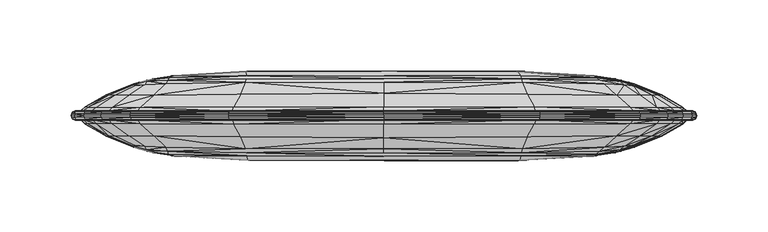
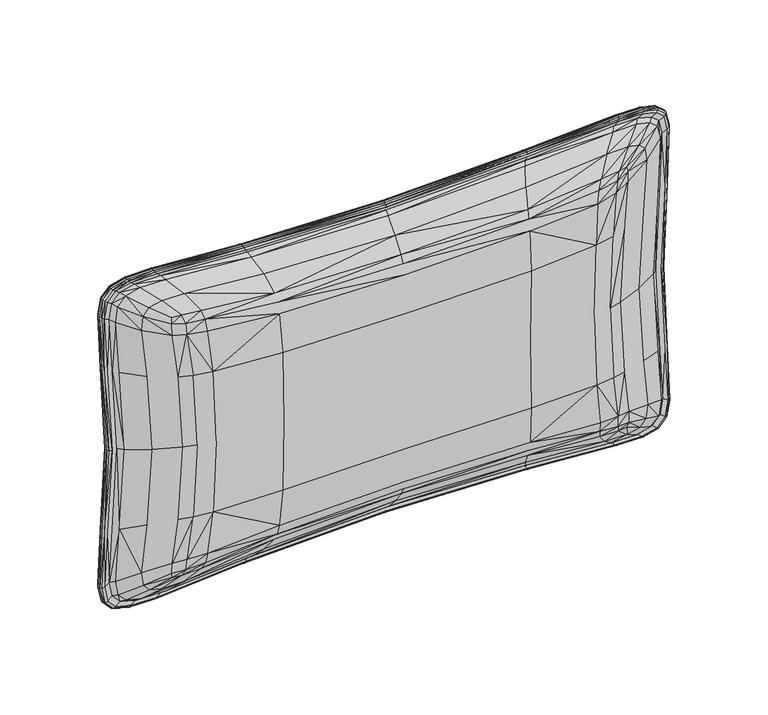
"""IFC4 building model written with IfcOpenShell, lengths in millimetres: furniture geometry."""

from ifc_helpers import new_model, si_unit, origin, place, context, project, spatial, triangles, source, transform, mapped, element, save


def furniture_e6ff6e48(model_context):
    return source(origin(), model_context, "Body", "Tessellation", [
        triangles([(-0.1820372, -32.4222443, 145.3870196), (94.5369803, -32.2340949, 145.3558351), (95.0695604, -32.0485525, 201.2624245), (-0.1878295, -32.234113, 200.5609593), (-95.5483466, -32.0485616, 201.313348), (-94.8791742, -32.2340949, 145.3558351), (-0.1878295, -32.2340722, 90.3998055), (-95.545349, -32.0485343, 89.5230876), (95.1270333, -32.0485275, 89.5291828), (171.3514595, -23.9788507, 203.7520436), (161.4035384, -26.8079998, 202.93209), (159.0480317, -26.9582541, 145.299089), (168.4271831, -24.142265, 145.2883065), (147.0656962, -29.0841145, 202.2766431), (145.3549994, -29.249709, 145.3135321), (147.4215521, -29.0840828, 88.2094686), (161.6633154, -26.8079703, 87.7987742), (171.4593381, -23.9787485, 87.2862147), (-171.785263, -23.9786122, 87.2105561), (-162.0140934, -26.8079908, 87.7371682), (-159.0837127, -26.9582768, 145.299416), (-168.3829089, -24.142617, 145.2887516), (-147.8025063, -29.0841077, 88.1660392), (-145.4916462, -29.2497249, 145.3136956), (-147.8174672, -29.0841145, 202.5226673), (-162.0277554, -26.808018, 202.892394), (-171.794274, -23.9791641, 203.370726), (-0.1991968, -24.1787295, 242.9809354), (-0.1975417, -26.9582768, 237.6434342), (96.2167379, -26.808018, 239.7915589), (97.074934, -23.9460947, 245.6138234), (-0.195168, -29.2497272, 229.8347538), (95.7191302, -29.0841191, 231.5068902), (-97.3497719, -23.9460084, 245.7150345), (-96.7865886, -26.8080339, 240.0232853), (-96.5188906, -29.0841123, 231.8182084), (-0.1991096, -24.1783525, 48.6731328), (-0.1975199, -26.9582382, 53.8865864), (-96.7717821, -26.8079726, 51.1649774), (-97.3385898, -23.945402, 45.5309826), (-0.1951462, -29.2497113, 61.5312324), (-96.5031848, -29.0840873, 59.2817558), (96.8448609, -23.9459198, 45.6080492), (96.2847206, -26.8079703, 51.2272374), (96.0274871, -29.084085, 59.3257257), (165.7379395, -24.9896288, 245.6650194), (175.0482542, -22.4924747, 248.4131438), (174.7587552, -21.5129379, 251.6322787), (168.4241309, -22.474087, 251.008952), (151.2424943, -25.7148026, 243.4698772), (154.418863, -23.0041509, 249.8972829), (149.0270682, -27.8520836, 234.3416008), (164.2295832, -25.7147958, 237.1127253), (174.8023571, -23.0371885, 240.3565135), (153.1597102, -23.0060857, 40.7703448), (151.7468059, -25.7147662, 46.6045181), (150.9459191, -27.8520427, 55.3190207), (166.3325616, -24.9895834, 45.4120628), (167.9348803, -22.474632, 39.6874122), (175.6978148, -22.4930561, 43.901222), (175.0041254, -21.5117434, 39.6373471), (175.492722, -23.0391937, 52.9873226), (165.6825468, -25.7147617, 54.2271224), (-166.5557493, -24.9896152, 45.1714752), (-175.8186469, -22.4937896, 43.8277254), (-175.0528506, -21.5138031, 39.7187466), (-168.0556214, -22.4755177, 39.6143334), (-152.0854207, -25.7147799, 46.2394514), (-153.4431776, -23.0063991, 40.3759239), (-151.3385186, -27.8520586, 55.0128212), (-166.0060372, -25.714798, 53.8600346), (-175.7576949, -23.0392982, 52.5891092), (-153.5501297, -23.0066716, 250.5151412), (-152.1971508, -25.714823, 244.6796871), (-151.4375315, -27.8521131, 235.8845299), (-166.7471439, -24.9896356, 245.8368476), (-168.3092942, -22.4753632, 251.5227287), (-176.0730281, -22.4936829, 247.2950798), (-175.3633876, -21.5130423, 251.5312493), (-175.8652102, -23.0396547, 238.1823003), (-166.1180762, -25.7148389, 236.9704011), (207.127855, -6.8238601, 81.4455737), (203.826821, -6.8771261, 145.2393815), (187.6132939, -16.150311, 145.2633898), (191.2328586, -15.8759318, 84.858147), (207.0522964, -6.823951, 209.5913856), (191.1598798, -15.8764462, 206.2315979), (209.1801643, -6.7238083, 253.6464908), (194.2842712, -15.2517001, 246.8979747), (206.9202732, -6.6915837, 264.3975969), (192.8244766, -15.0217371, 256.4573658), (201.1886463, -6.674194, 269.2275892), (188.1952715, -14.9020723, 260.4950917), (191.2619993, -6.6684894, 271.6038795), (179.7578686, -14.9106758, 262.3840025), (172.948128, -6.681008, 271.7168086), (163.3670268, -15.0519984, 262.2269082), (105.398563, -6.771171, 267.4752434), (100.5734123, -15.6769841, 257.6702278), (-0.2035528, -6.8925844, 264.4116586), (-0.202028, -16.3661238, 254.1586507), (-105.6072984, -6.7713663, 267.5307996), (-100.7729096, -15.6763698, 257.7269104), (-171.5089535, -6.6853256, 272.1267945), (-161.9391525, -15.0673795, 262.6218151), (-190.9403074, -6.6705032, 272.2354179), (-179.4015677, -14.9183697, 262.9945212), (-202.2515174, -6.6739136, 269.4007981), (-189.1750082, -14.9022892, 260.6664657), (-208.1983565, -6.6927709, 262.7097457), (-194.0136118, -15.0288372, 254.8392414), (-210.1247832, -6.7269076, 250.5622859), (-195.1588726, -15.2665236, 243.9373451), (-207.454452, -6.8242587, 209.0483228), (-191.5495907, -15.8782641, 205.7156047), (-203.6760853, -6.8774747, 145.2399628), (-187.486503, -16.1522163, 145.263953), (-207.4477482, -6.8235893, 81.3592781), (-191.5478648, -15.8750473, 84.7704344), (-210.0336369, -6.7264392, 39.9143378), (-195.0719048, -15.2645263, 46.6604649), (-207.9414318, -6.6929792, 28.1534778), (-193.762319, -15.0296365, 36.143179), (-201.8874227, -6.6745489, 21.7472418), (-188.8175809, -14.9049848, 30.5861282), (-190.6847816, -6.6707882, 18.7096013), (-179.1508018, -14.9194632, 28.0381391), (-171.418225, -6.6849509, 18.6188728), (-161.8514035, -15.0657319, 28.1756058), (-105.5946357, -6.7706464, 23.8877611), (-100.7646162, -15.6729646, 33.6178949), (-0.203531, -6.8919684, 27.5792282), (-0.2019844, -16.3640027, 37.6856698), (105.0615014, -6.771129, 23.9824637), (100.2480507, -15.6761757, 33.7120524), (171.1399172, -6.6843088, 19.1295509), (161.5933705, -15.0640151, 28.6572511), (190.6291527, -6.6693422, 18.8647642), (179.1091619, -14.9141151, 28.1678778), (201.9575674, -6.6728059, 21.5978823), (188.8965005, -14.8979755, 30.4186738), (207.8858756, -6.6919562, 28.3091119), (193.7197163, -15.0253479, 36.2742621), (209.7790195, -6.7263734, 40.432066), (194.8349643, -15.2640063, 47.1490752), (207.3524234, -3.5974018, 145.2339857), (210.422167, -3.5979661, 210.3961693), (210.4975076, -3.5979031, 80.6276095), (204.6783497, -3.5981304, 19.5995554), (210.8014498, -3.5990629, 26.4788934), (212.8545221, -3.5991771, 38.8580569), (173.2448032, -3.5927622, 16.9494617), (193.0899219, -3.5962603, 16.7602165), (106.1847704, -3.580831, 21.6350166), (-0.2040103, -3.573103, 25.0581248), (-106.7213383, -3.5808949, 21.5414177), (-204.6135462, -3.5981719, 19.7520511), (-193.1506921, -3.5963849, 16.605962), (-173.5278892, -3.5929269, 16.4375266), (-213.1138631, -3.5992455, 38.3397383), (-210.8621474, -3.5991121, 26.324665), (-210.8191086, -3.5979167, 80.544257), (-207.1996347, -3.5973172, 145.2346307), (-210.827284, -3.5979263, 209.846003), (-204.9805841, -3.5982715, 271.3749145), (-211.1217064, -3.599181, 264.5140869), (-213.2071169, -3.5992827, 252.1113374), (-173.6210339, -3.5929127, 274.2985733), (-193.4089067, -3.596427, 274.3218458), (-106.7358996, -3.5809352, 269.8952265), (-0.2040103, -3.5732853, 266.9680432), (106.5252293, -3.5809, 269.8405423), (203.9073393, -3.5981455, 271.2029773), (193.728037, -3.5962833, 273.6875095), (175.0639146, -3.592823, 273.8863891), (212.2504347, -3.5994095, 255.2195779), (209.830597, -3.599191, 266.2162178)], [[1, 2, 3], [3, 4, 1], [4, 5, 6], [6, 1, 4], [7, 1, 6], [6, 8, 7], [7, 9, 2], [2, 1, 7], [10, 11, 12], [12, 13, 10], [11, 14, 15], [15, 12, 11], [14, 3, 2], [2, 15, 14], [9, 16, 15], [15, 2, 9], [17, 12, 15], [15, 16, 17], [17, 18, 13], [13, 12, 17], [19, 20, 21], [21, 22, 19], [20, 23, 24], [24, 21, 20], [23, 8, 6], [6, 24, 23], [5, 25, 24], [24, 6, 5], [26, 21, 24], [24, 25, 26], [26, 27, 22], [22, 21, 26], [28, 29, 30], [30, 31, 28], [29, 32, 33], [33, 30, 29], [28, 34, 35], [35, 29, 28], [33, 32, 4], [4, 3, 33], [32, 29, 35], [35, 36, 32], [5, 4, 32], [32, 36, 5], [37, 38, 39], [39, 40, 37], [38, 41, 42], [42, 39, 38], [37, 43, 44], [44, 38, 37], [42, 41, 7], [7, 8, 42], [41, 38, 44], [44, 45, 41], [9, 7, 41], [41, 45, 9], [46, 47, 48], [48, 49, 46], [50, 46, 49], [49, 51, 50], [46, 50, 52], [52, 53, 46], [47, 46, 53], [53, 54, 47], [51, 31, 30], [30, 50, 51], [52, 50, 30], [30, 33, 52], [14, 52, 33], [33, 3, 14], [14, 11, 53], [53, 52, 14], [11, 10, 54], [54, 53, 11], [43, 55, 56], [56, 44, 43], [45, 44, 56], [56, 57, 45], [45, 57, 16], [16, 9, 45], [58, 56, 55], [55, 59, 58], [60, 58, 59], [59, 61, 60], [58, 60, 62], [62, 63, 58], [56, 58, 63], [63, 57, 56], [18, 17, 63], [63, 62, 18], [16, 57, 63], [63, 17, 16], [64, 65, 66], [66, 67, 64], [68, 64, 67], [67, 69, 68], [64, 68, 70], [70, 71, 64], [65, 64, 71], [71, 72, 65], [69, 40, 39], [39, 68, 69], [70, 68, 39], [39, 42, 70], [23, 70, 42], [42, 8, 23], [23, 20, 71], [71, 70, 23], [20, 19, 72], [72, 71, 20], [34, 73, 74], [74, 35, 34], [36, 35, 74], [74, 75, 36], [36, 75, 25], [25, 5, 36], [76, 74, 73], [73, 77, 76], [78, 76, 77], [77, 79, 78], [76, 78, 80], [80, 81, 76], [74, 76, 81], [81, 75, 74], [27, 26, 81], [81, 80, 27], [25, 75, 81], [81, 26, 25], [82, 83, 84], [84, 85, 82], [83, 86, 87], [87, 84, 83], [84, 87, 10], [10, 13, 84], [13, 18, 85], [85, 84, 13], [86, 88, 89], [89, 87, 86], [88, 90, 91], [91, 89, 88], [90, 92, 93], [93, 91, 90], [48, 47, 91], [91, 93, 48], [47, 54, 89], [89, 91, 47], [10, 87, 89], [89, 54, 10], [92, 94, 95], [95, 93, 92], [94, 96, 97], [97, 95, 94], [96, 98, 99], [99, 97, 96], [98, 100, 101], [101, 99, 98], [31, 99, 101], [101, 28, 31], [31, 51, 97], [97, 99, 31], [51, 49, 95], [95, 97, 51], [49, 48, 93], [93, 95, 49], [100, 102, 103], [103, 101, 100], [101, 103, 34], [34, 28, 101], [102, 104, 105], [105, 103, 102], [104, 106, 107], [107, 105, 104], [106, 108, 109], [109, 107, 106], [79, 77, 107], [107, 109, 79], [77, 73, 105], [105, 107, 77], [34, 103, 105], [105, 73, 34], [108, 110, 111], [111, 109, 108], [110, 112, 113], [113, 111, 110], [112, 114, 115], [115, 113, 112], [114, 116, 117], [117, 115, 114], [27, 115, 117], [117, 22, 27], [27, 80, 113], [113, 115, 27], [80, 78, 111], [111, 113, 80], [78, 79, 109], [109, 111, 78], [116, 118, 119], [119, 117, 116], [117, 119, 19], [19, 22, 117], [118, 120, 121], [121, 119, 118], [120, 122, 123], [123, 121, 120], [122, 124, 125], [125, 123, 122], [66, 65, 123], [123, 125, 66], [65, 72, 121], [121, 123, 65], [19, 119, 121], [121, 72, 19], [124, 126, 127], [127, 125, 124], [126, 128, 129], [129, 127, 126], [128, 130, 131], [131, 129, 128], [130, 132, 133], [133, 131, 130], [40, 131, 133], [133, 37, 40], [40, 69, 129], [129, 131, 40], [69, 67, 127], [127, 129, 69], [67, 66, 125], [125, 127, 67], [132, 134, 135], [135, 133, 132], [133, 135, 43], [43, 37, 133], [134, 136, 137], [137, 135, 134], [136, 138, 139], [139, 137, 136], [138, 140, 141], [141, 139, 138], [61, 59, 139], [139, 141, 61], [59, 55, 137], [137, 139, 59], [43, 135, 137], [137, 55, 43], [140, 142, 143], [143, 141, 140], [142, 144, 145], [145, 143, 142], [82, 85, 145], [145, 144, 82], [18, 62, 145], [145, 85, 18], [62, 60, 143], [143, 145, 62], [60, 61, 141], [141, 143, 60], [146, 147, 86], [86, 83, 146], [148, 146, 83], [83, 82, 148], [140, 149, 150], [150, 142, 140], [144, 142, 150], [150, 151, 144], [144, 151, 148], [148, 82, 144], [136, 152, 153], [153, 138, 136], [149, 140, 138], [138, 153, 149], [134, 154, 152], [152, 136, 134], [155, 154, 134], [134, 132, 155], [156, 155, 132], [132, 130, 156], [124, 157, 158], [158, 126, 124], [128, 126, 158], [158, 159, 128], [128, 159, 156], [156, 130, 128], [120, 160, 161], [161, 122, 120], [157, 124, 122], [122, 161, 157], [118, 162, 160], [160, 120, 118], [163, 162, 118], [118, 116, 163], [164, 163, 116], [116, 114, 164], [108, 165, 166], [166, 110, 108], [112, 110, 166], [166, 167, 112], [112, 167, 164], [164, 114, 112], [104, 168, 169], [169, 106, 104], [165, 108, 106], [106, 169, 165], [102, 170, 168], [168, 104, 102], [171, 170, 102], [102, 100, 171], [172, 171, 100], [100, 98, 172], [92, 173, 174], [174, 94, 92], [96, 94, 174], [174, 175, 96], [96, 175, 172], [172, 98, 96], [88, 176, 177], [177, 90, 88], [173, 92, 90], [90, 177, 173], [86, 147, 176], [176, 88, 86]], closed=False),
        triangles([(-0.205208, -2.1701541, 272.1214532), (-109.2623533, -2.1701656, 274.9365249), (-109.0178733, -3.339796, 274.1438225), (-0.2050991, -3.3397844, 271.2712871), (108.8058768, -3.339779, 274.091155), (109.0493394, -2.1701485, 274.8847293), (-109.3438981, -0.7606012, 275.2006439), (-0.2052761, -0.7605996, 272.4047572), (109.1305481, -0.7605939, 275.1491391), (-0.2052299, 0.6489574, 272.1214532), (109.0493394, 0.6489683, 274.8846203), (108.8058404, 1.8185958, 274.091155), (-0.2051211, 1.8185913, 271.2712326), (-109.0178733, 1.8185836, 274.1437862), (-109.2623714, 0.6489584, 274.9364885), (179.2454726, -3.339781, 278.0334652), (179.7576324, -2.1701453, 278.733368), (179.9284432, -0.7605881, 278.9667295), (198.4953514, -3.3397796, 277.7304314), (199.0994933, -2.170142, 278.3854241), (209.050303, -3.3397739, 275.07418), (209.7221552, -2.1701406, 275.6807563), (209.9461422, -0.7605834, 275.8830514), (199.3009163, -0.7605893, 278.6038156), (209.050303, 1.8185977, 275.07418), (198.495315, 1.8186001, 277.7304314), (199.0994933, 0.6489657, 278.3854241), (209.722137, 0.6489716, 275.6807563), (179.2453999, 1.8185998, 278.0334652), (179.7576869, 0.6489647, 278.733368), (-210.1426419, -3.3398023, 275.2448636), (-198.1740955, -3.3397969, 278.3669841), (-198.7801814, -2.170171, 279.019833), (-210.8165106, -2.1701546, 275.8495869), (-177.7809544, -3.3397912, 278.4410166), (-178.2947857, -2.170163, 279.1387211), (-178.466087, -0.7606058, 279.3712651), (-198.9822948, -0.7606024, 279.2376068), (-211.0411335, -0.7606068, 276.0512824), (-177.7809544, 1.8185868, 278.4410348), (-178.2947857, 0.6489515, 279.1386848), (-198.1740955, 1.8185787, 278.3668932), (-198.7801814, 0.6489387, 279.019833), (-210.1426419, 1.8185856, 275.2447364), (-210.8165106, 0.6489482, 275.849605), (-216.7752494, -3.3397875, 211.5232444), (-218.8408028, -3.3398014, 255.2354927), (-219.6311434, -2.1701613, 255.6992725), (-217.6931984, -2.1701634, 211.7432891), (-219.8946447, -0.7606043, 255.8539505), (-217.9992117, -0.760597, 211.8167403), (-216.5575301, -3.3397898, 268.0979343), (-217.2900254, -2.1701539, 268.6441219), (-217.5341965, -0.7606155, 268.8262147), (-216.5575301, 1.8185801, 268.0979706), (-217.2900254, 0.648949, 268.6441582), (-218.8408028, 1.8185814, 255.235529), (-219.6311434, 0.648953, 255.6992543), (-216.7752494, 1.818589, 211.5232807), (-217.6931984, 0.6489554, 211.7433254), (-214.9476175, -4.1090944, 266.9651546), (-208.6382824, -4.1090484, 274.0047867), (-217.1373276, -4.1089402, 254.2620237), (-214.8835771, -4.108274, 211.0331944), (-108.4140947, -4.105921, 272.6401897), (-0.2047724, -4.1043493, 269.6961834), (-176.6021201, -4.1081034, 277.0579797), (-196.8035578, -4.1087339, 277.047715), (108.2034699, -4.105921, 272.5862504), (197.1266304, -4.108714, 276.4091276), (207.5510123, -4.1089902, 273.8319593), (178.0652394, -4.1081216, 276.6470673), (108.2034335, 2.584735, 272.5862323), (-0.2047728, 2.5831448, 269.6961834), (178.0652394, 2.5869441, 276.6471218), (197.1266304, 2.5875476, 276.4090912), (207.5509214, 2.5878224, 273.8319411), (-108.4140947, 2.5847177, 272.6401352), (-196.8035578, 2.5875257, 277.0476605), (-208.6382461, 2.5878255, 274.0047867), (-176.6021201, 2.586891, 277.0578888), (-217.1373276, 2.5877349, 254.2620056), (-214.8835771, 2.5870662, 211.0332489), (-214.9476175, 2.5878834, 266.9651001), (-213.2071169, -3.5992827, 252.1113374), (-210.827284, -3.5979263, 209.846003), (-211.1217064, -3.599181, 264.5140869), (-204.9805841, -3.5982715, 271.3749145), (-173.6210339, -3.5929127, 274.2985733), (-106.7358996, -3.5809352, 269.8952265), (-0.2040103, -3.5732853, 266.9680432), (-193.4089067, -3.596427, 274.3218458), (106.5252293, -3.5809, 269.8405423), (175.0639146, -3.592823, 273.8863891), (193.728037, -3.5962833, 273.6875095), (203.9073393, -3.5981455, 271.2029773), (209.830597, -3.599191, 266.2162178), (213.6435546, -4.1090805, 268.6932468), (215.2493978, -3.339773, 269.8338022), (215.9803669, -2.1701394, 270.3825877), (216.2242474, -0.7605872, 270.5656071), (215.2493614, 1.8186025, 269.8338022), (215.9804396, 0.6489678, 270.3825877), (213.6435001, 2.5879109, 268.6932468), (209.830597, 2.400046, 266.2161633), (203.9073938, 2.3989982, 271.2030137), (175.0638419, 2.3936689, 273.8863891), (106.525202, 2.3817334, 269.8405423), (-0.2040106, 2.374114, 266.9680796), (193.728037, 2.3971278, 273.6874732), (-106.7358814, 2.3817505, 269.895281), (-173.6210339, 2.3937223, 274.2985733), (-193.4089431, 2.3972266, 274.3218277), (-204.9805841, 2.3990715, 271.3750598), (-211.1217246, 2.3999872, 264.5141414), (-214.3023807, -2.1701336, 145.2228309), (-217.6835878, -2.1701325, 78.6086557), (-216.7661111, -3.3397543, 78.8335238), (-213.3073833, -3.3397813, 145.2242389), (-217.9893831, -0.7605868, 78.5335694), (-214.6340102, -0.7605953, 145.2223949), (-214.3023807, 0.6489715, 145.2228309), (-213.307347, 1.8185907, 145.2243025), (-216.7657841, 1.8186125, 78.8332786), (-217.6834607, 0.6489823, 78.6084922), (-0.2052733, -2.1701179, 19.977764), (108.6991246, -2.1701064, 16.6289643), (108.4566793, -3.3397307, 17.4155556), (-0.2051644, -3.3397322, 20.8163643), (-108.999942, -3.3397427, 17.3225982), (-109.2433047, -2.1701162, 16.5365985), (108.7800244, -0.760547, 16.3668437), (-0.2052952, -0.7605557, 19.6983116), (-109.3243953, -0.7605588, 16.2745755), (-0.2052517, 0.6490039, 19.977764), (-109.2431139, 0.6489933, 16.5364429), (-108.9996513, 1.8186367, 17.3223427), (-0.2051211, 1.8186345, 20.8163643), (108.4570064, 1.818639, 17.4158088), (108.6993426, 0.6490009, 16.6291097), (197.8449187, -3.3397319, 12.6763701), (177.3940413, -3.3397376, 12.7874587), (177.9051111, -2.1701017, 12.0867497), (198.4480977, -2.1701081, 12.0169866), (178.0757039, -0.7605474, 11.8532123), (198.6493936, -0.7605462, 11.7971962), (177.3945499, 1.8186435, 12.7879186), (177.9054563, 0.64901, 12.0870279), (197.845391, 1.8186447, 12.6768663), (198.4484429, 0.6490111, 12.0172772), (-177.6835766, -3.3397526, 12.2724465), (-178.196227, -2.1701264, 11.5731183), (-178.3670378, -0.760569, 11.3398363), (-197.9080507, -3.3397421, 12.5267063), (-198.5129557, -2.1701157, 11.8691395), (-209.7653393, -3.3397688, 15.8438128), (-210.4379909, -2.1701216, 15.2327786), (-210.6620687, -0.7605784, 15.0288553), (-198.7144877, -0.7605728, 11.649725), (-209.7647398, 1.8186076, 15.8432905), (-197.9074694, 1.8186225, 12.5261976), (-198.5125741, 0.6489845, 11.8688374), (-210.4376093, 0.648993, 15.2324641), (-177.6830316, 1.8186238, 12.271998), (-178.1959, 0.6489883, 11.5728515), (-216.2903953, -3.3397517, 22.694847), (-217.0218005, -2.1701231, 22.1415491), (-218.7441154, -3.3397517, 35.1660471), (-219.5335839, -2.1701136, 34.6952296), (-219.7966856, -0.7605657, 34.5380558), (-217.2655538, -0.7605731, 21.956897), (-218.7435885, 1.8186177, 35.1655634), (-219.5332751, 0.6489845, 34.694914), (-216.2897957, 1.8186194, 22.694327), (-217.0214735, 0.6489865, 22.1412357), (107.856716, -4.1058748, 18.9082935), (-0.2047506, -4.1042882, 22.3695648), (176.2198942, -4.1080293, 14.1770166), (106.1847704, -3.580831, 21.6350166), (-0.2040103, -3.573103, 25.0581248), (196.4791045, -4.1086717, 14.0086778), (-108.3978621, -4.1058921, 18.8144516), (-106.7213383, -3.5808949, 21.5414177), (-196.5399293, -4.1086907, 13.8561185), (-208.2637413, -4.1089953, 17.096389), (-176.5065409, -4.1080628, 13.6607214), (-173.5278892, -3.5929269, 16.4375266), (-193.1506921, -3.5963849, 16.605962), (-204.6135462, -3.5981719, 19.7520511), (-214.8749112, -4.1082638, 79.3337931), (-211.306379, -4.1078567, 145.2274454), (-217.0419482, -4.1089045, 36.1546722), (-213.1138631, -3.5992455, 38.3397383), (-210.8191086, -3.5979167, 80.544257), (-207.1996347, -3.5973172, 145.2346307), (-214.6826446, -4.1090524, 23.8422584), (-210.8621474, -3.5991121, 26.324665), (-211.3063608, 2.5866642, 145.2274182), (-213.2071169, 2.40009, 252.1113374), (-210.827284, 2.3987479, 209.846003), (-207.1996347, 2.3981574, 145.2345671), (-214.8746023, 2.5870945, 79.3335115), (-210.8188361, 2.3987714, 80.5440208), (-214.6820269, 2.5879129, 23.841702), (-208.2631054, 2.5878522, 17.0958326), (-217.0413669, 2.5877628, 36.1541613), (-213.1133908, 2.4001113, 38.3392886), (-210.8616205, 2.3999864, 26.3241676), (-204.6130194, 2.3990419, 19.7515424), (-108.3975351, 2.5847583, 18.8141746), (-0.2048163, 2.5831704, 22.3695648), (-176.5059596, 2.5869387, 13.6602615), (-173.5273623, 2.3938094, 16.4371019), (-106.7210658, 2.3817868, 21.5411997), (-0.2039453, 2.3740034, 25.0581112), (-196.5392571, 2.5875544, 13.855586), (-193.1501289, 2.3972576, 16.6054783), (107.857043, 2.5847663, 18.9085604), (106.1850429, 2.3817539, 21.6352483), (176.2205482, 2.5869461, 14.1775026), (196.4797222, 2.5875785, 14.0092228), (214.4622183, -2.1701216, 145.2222041), (217.2844116, -2.1701322, 212.3134396), (216.3671348, -3.3397676, 212.0906516), (213.4672936, -3.3397526, 145.2236666), (216.4416033, -3.3397412, 78.9102633), (217.3584442, -2.1701153, 78.682988), (217.5900797, -0.7605777, 212.3877083), (214.793866, -0.7605692, 145.221759), (217.6640396, -0.7605508, 78.6072114), (214.462182, 0.6489931, 145.2222314), (217.3585713, 0.6489994, 78.6831151), (216.441785, 1.8186343, 78.9105086), (213.4672573, 1.8186213, 145.2236666), (216.3672074, 1.8186086, 212.0906516), (217.2843753, 0.6489774, 212.3134033), (217.87689, -3.3397776, 258.4036859), (218.6662677, -2.1701399, 258.8708086), (218.9295147, -0.7605802, 259.026613), (217.8768355, 1.8186011, 258.4036677), (218.6663767, 0.6489698, 258.8708449), (209.830706, -3.3397316, 15.6800261), (210.5018496, -2.1701006, 15.0667891), (210.7257458, -0.760541, 14.8623684), (209.83136, 1.8186332, 15.6805472), (210.5021948, 0.6490141, 15.0671036), (218.4790153, -3.3397344, 35.6850448), (219.2670668, -2.1701081, 35.2120585), (219.5298051, -0.7605462, 35.0543783), (216.2273177, -3.3397276, 22.8430325), (216.9571787, -2.1701013, 22.2875204), (217.2007866, -0.7605512, 22.1023346), (216.2279717, 1.8186434, 22.8435412), (216.9576147, 0.6490061, 22.2878111), (218.4795422, 1.8186442, 35.6855285), (219.2672848, 0.6490085, 35.212322), (211.4653264, -4.1078516, 145.2267642), (214.5518023, -4.1082326, 79.414266), (214.4767523, -4.108259, 211.5950968), (210.4975076, -3.5979031, 80.6276095), (207.3524234, -3.5974018, 145.2339857), (210.422167, -3.5979661, 210.3961693), (214.6217834, -4.1090282, 23.994041), (208.3309974, -4.1089786, 16.9369261), (216.7795187, -4.1088761, 36.6761861), (212.8545221, -3.5991771, 38.8580569), (210.8014498, -3.5990629, 26.4788934), (204.6783497, -3.5981304, 19.5995554), (173.2448032, -3.5927622, 16.9494617), (193.0899219, -3.5962603, 16.7602165), (216.1753042, -4.1089655, 257.4175542), (212.2504347, -3.5994095, 255.2195779), (211.4654717, 2.5867178, 145.2268187), (214.4767523, 2.5870971, 211.595115), (214.5520203, 2.5871164, 79.4145476), (210.4220761, 2.3988273, 210.3961693), (207.3525506, 2.3982937, 145.2340221), (210.4977074, 2.3988114, 80.6278456), (216.1753042, 2.5877985, 257.4175542), (212.2504529, 2.4002634, 255.2195779), (208.3316151, 2.5878865, 16.9374961), (173.2452393, 2.3936876, 16.9498863), (193.0905396, 2.3971897, 16.7606775), (204.6790219, 2.3990601, 19.6000391), (216.7802273, 2.5877826, 36.6767198), (212.8549582, 2.4001016, 38.8584793), (214.6225828, 2.5879368, 23.9945996), (210.8019221, 2.3999841, 26.4793544)], [[1, 2, 3], [3, 4, 1], [4, 5, 6], [6, 1, 4], [7, 2, 1], [1, 8, 7], [9, 8, 1], [1, 6, 9], [10, 11, 12], [12, 13, 10], [13, 14, 15], [15, 10, 13], [9, 11, 10], [10, 8, 9], [7, 8, 10], [10, 15, 7], [5, 16, 17], [17, 6, 5], [6, 17, 18], [18, 9, 6], [16, 19, 20], [20, 17, 16], [19, 21, 22], [22, 20, 19], [23, 24, 20], [20, 22, 23], [18, 17, 20], [20, 24, 18], [25, 26, 27], [27, 28, 25], [26, 29, 30], [30, 27, 26], [12, 11, 30], [30, 29, 12], [18, 30, 11], [11, 9, 18], [18, 24, 27], [27, 30, 18], [24, 23, 28], [28, 27, 24], [31, 32, 33], [33, 34, 31], [32, 35, 36], [36, 33, 32], [3, 2, 36], [36, 35, 3], [37, 36, 2], [2, 7, 37], [37, 38, 33], [33, 36, 37], [38, 39, 34], [34, 33, 38], [14, 40, 41], [41, 15, 14], [15, 41, 37], [37, 7, 15], [40, 42, 43], [43, 41, 40], [42, 44, 45], [45, 43, 42], [39, 38, 43], [43, 45, 39], [37, 41, 43], [43, 38, 37], [46, 47, 48], [48, 49, 46], [49, 48, 50], [50, 51, 49], [47, 52, 53], [53, 48, 47], [52, 31, 34], [34, 53, 52], [39, 54, 53], [53, 34, 39], [50, 48, 53], [53, 54, 50], [44, 55, 56], [56, 45, 44], [55, 57, 58], [58, 56, 55], [59, 60, 58], [58, 57, 59], [50, 58, 60], [60, 51, 50], [50, 54, 56], [56, 58, 50], [54, 39, 45], [45, 56, 54], [31, 52, 61], [61, 62, 31], [52, 47, 63], [63, 61, 52], [46, 64, 63], [63, 47, 46], [3, 65, 66], [66, 4, 3], [3, 35, 67], [67, 65, 3], [35, 32, 68], [68, 67, 35], [32, 31, 62], [62, 68, 32], [66, 69, 5], [5, 4, 66], [21, 19, 70], [70, 71, 21], [19, 16, 72], [72, 70, 19], [5, 69, 72], [72, 16, 5], [12, 73, 74], [74, 13, 12], [12, 29, 75], [75, 73, 12], [29, 26, 76], [76, 75, 29], [26, 25, 77], [77, 76, 26], [74, 78, 14], [14, 13, 74], [44, 42, 79], [79, 80, 44], [42, 40, 81], [81, 79, 42], [14, 78, 81], [81, 40, 14], [59, 57, 82], [82, 83, 59], [57, 55, 84], [84, 82, 57], [55, 44, 80], [80, 84, 55], [85, 63, 64], [64, 86, 85], [85, 87, 61], [61, 63, 85], [87, 88, 62], [62, 61, 87], [65, 67, 89], [89, 90, 65], [90, 91, 66], [66, 65, 90], [88, 92, 68], [68, 62, 88], [89, 67, 68], [68, 92, 89], [93, 69, 66], [66, 91, 93], [94, 72, 69], [69, 93, 94], [94, 95, 70], [70, 72, 94], [95, 96, 71], [71, 70, 95], [96, 97, 98], [98, 71, 96], [21, 99, 100], [100, 22, 21], [101, 23, 22], [22, 100, 101], [102, 25, 28], [28, 103, 102], [23, 101, 103], [103, 28, 23], [99, 21, 71], [71, 98, 99], [25, 102, 104], [104, 77, 25], [105, 106, 77], [77, 104, 105], [73, 75, 107], [107, 108, 73], [108, 109, 74], [74, 73, 108], [106, 110, 76], [76, 77, 106], [107, 75, 76], [76, 110, 107], [111, 78, 74], [74, 109, 111], [112, 81, 78], [78, 111, 112], [112, 113, 79], [79, 81, 112], [113, 114, 80], [80, 79, 113], [114, 115, 84], [84, 80, 114], [116, 117, 118], [118, 119, 116], [119, 46, 49], [49, 116, 119], [120, 117, 116], [116, 121, 120], [51, 121, 116], [116, 49, 51], [122, 60, 59], [59, 123, 122], [123, 124, 125], [125, 122, 123], [51, 60, 122], [122, 121, 51], [120, 121, 122], [122, 125, 120], [126, 127, 128], [128, 129, 126], [129, 130, 131], [131, 126, 129], [132, 127, 126], [126, 133, 132], [134, 133, 126], [126, 131, 134], [135, 136, 137], [137, 138, 135], [138, 139, 140], [140, 135, 138], [134, 136, 135], [135, 133, 134], [132, 133, 135], [135, 140, 132], [141, 142, 143], [143, 144, 141], [128, 127, 143], [143, 142, 128], [145, 143, 127], [127, 132, 145], [145, 146, 144], [144, 143, 145], [139, 147, 148], [148, 140, 139], [140, 148, 145], [145, 132, 140], [147, 149, 150], [150, 148, 147], [145, 148, 150], [150, 146, 145], [130, 151, 152], [152, 131, 130], [131, 152, 153], [153, 134, 131], [151, 154, 155], [155, 152, 151], [154, 156, 157], [157, 155, 154], [158, 159, 155], [155, 157, 158], [153, 152, 155], [155, 159, 153], [160, 161, 162], [162, 163, 160], [161, 164, 165], [165, 162, 161], [137, 136, 165], [165, 164, 137], [153, 165, 136], [136, 134, 153], [153, 159, 162], [162, 165, 153], [159, 158, 163], [163, 162, 159], [156, 166, 167], [167, 157, 156], [166, 168, 169], [169, 167, 166], [118, 117, 169], [169, 168, 118], [170, 169, 117], [117, 120, 170], [170, 171, 167], [167, 169, 170], [171, 158, 157], [157, 167, 171], [124, 172, 173], [173, 125, 124], [125, 173, 170], [170, 120, 125], [172, 174, 175], [175, 173, 172], [174, 160, 163], [163, 175, 174], [158, 171, 175], [175, 163, 158], [170, 173, 175], [175, 171, 170], [128, 176, 177], [177, 129, 128], [128, 142, 178], [178, 176, 128], [179, 180, 177], [177, 176, 179], [142, 141, 181], [181, 178, 142], [177, 182, 130], [130, 129, 177], [183, 182, 177], [177, 180, 183], [156, 154, 184], [184, 185, 156], [154, 151, 186], [186, 184, 154], [130, 182, 186], [186, 151, 130], [187, 186, 182], [182, 183, 187], [187, 188, 184], [184, 186, 187], [188, 189, 185], [185, 184, 188], [118, 190, 191], [191, 119, 118], [118, 168, 192], [192, 190, 118], [190, 192, 193], [193, 194, 190], [194, 195, 191], [191, 190, 194], [168, 166, 196], [196, 192, 168], [166, 156, 185], [185, 196, 166], [189, 197, 196], [196, 185, 189], [193, 192, 196], [196, 197, 193], [191, 64, 46], [46, 119, 191], [86, 64, 191], [191, 195, 86], [59, 83, 198], [198, 123, 59], [83, 82, 199], [199, 200, 83], [200, 201, 198], [198, 83, 200], [199, 82, 84], [84, 115, 199], [198, 202, 124], [124, 123, 198], [203, 202, 198], [198, 201, 203], [160, 174, 204], [204, 205, 160], [174, 172, 206], [206, 204, 174], [124, 202, 206], [206, 172, 124], [207, 206, 202], [202, 203, 207], [207, 208, 204], [204, 206, 207], [208, 209, 205], [205, 204, 208], [137, 210, 211], [211, 138, 137], [137, 164, 212], [212, 210, 137], [210, 212, 213], [213, 214, 210], [214, 215, 211], [211, 210, 214], [164, 161, 216], [216, 212, 164], [161, 160, 205], [205, 216, 161], [209, 217, 216], [216, 205, 209], [213, 212, 216], [216, 217, 213], [211, 218, 139], [139, 138, 211], [219, 218, 211], [211, 215, 219], [149, 147, 220], [220, 221, 149], [139, 218, 220], [220, 147, 139], [222, 223, 224], [224, 225, 222], [225, 226, 227], [227, 222, 225], [228, 223, 222], [222, 229, 228], [230, 229, 222], [222, 227, 230], [231, 232, 233], [233, 234, 231], [234, 235, 236], [236, 231, 234], [230, 232, 231], [231, 229, 230], [228, 229, 231], [231, 236, 228], [99, 237, 238], [238, 100, 99], [224, 223, 238], [238, 237, 224], [239, 238, 223], [223, 228, 239], [239, 101, 100], [100, 238, 239], [235, 240, 241], [241, 236, 235], [236, 241, 239], [239, 228, 236], [240, 102, 103], [103, 241, 240], [239, 241, 103], [103, 101, 239], [242, 141, 144], [144, 243, 242], [146, 244, 243], [243, 144, 146], [149, 245, 246], [246, 150, 149], [244, 146, 150], [150, 246, 244], [226, 247, 248], [248, 227, 226], [227, 248, 249], [249, 230, 227], [247, 250, 251], [251, 248, 247], [250, 242, 243], [243, 251, 250], [244, 252, 251], [251, 243, 244], [249, 248, 251], [251, 252, 249], [245, 253, 254], [254, 246, 245], [253, 255, 256], [256, 254, 253], [233, 232, 256], [256, 255, 233], [249, 256, 232], [232, 230, 249], [249, 252, 254], [254, 256, 249], [252, 244, 246], [246, 254, 252], [257, 258, 226], [226, 225, 257], [225, 224, 259], [259, 257, 225], [260, 258, 257], [257, 261, 260], [262, 261, 257], [257, 259, 262], [242, 250, 263], [263, 264, 242], [250, 247, 265], [265, 263, 250], [226, 258, 265], [265, 247, 226], [266, 265, 258], [258, 260, 266], [266, 267, 263], [263, 265, 266], [267, 268, 264], [264, 263, 267], [176, 178, 269], [269, 179, 176], [141, 242, 264], [264, 181, 141], [268, 270, 181], [181, 264, 268], [269, 178, 181], [181, 270, 269], [224, 237, 271], [271, 259, 224], [259, 271, 272], [272, 262, 259], [237, 99, 98], [98, 271, 237], [272, 271, 98], [98, 97, 272], [273, 274, 235], [235, 234, 273], [234, 233, 275], [275, 273, 234], [276, 274, 273], [273, 277, 276], [278, 277, 273], [273, 275, 278], [102, 240, 279], [279, 104, 102], [235, 274, 279], [279, 240, 235], [280, 279, 274], [274, 276, 280], [280, 105, 104], [104, 279, 280], [245, 149, 221], [221, 281, 245], [282, 220, 218], [218, 219, 282], [282, 283, 221], [221, 220, 282], [283, 284, 281], [281, 221, 283], [233, 255, 285], [285, 275, 233], [275, 285, 286], [286, 278, 275], [255, 253, 287], [287, 285, 255], [253, 245, 281], [281, 287, 253], [284, 288, 287], [287, 281, 284], [286, 285, 287], [287, 288, 286]], closed=False),
        triangles([(-96.3287859, 30.1647694, 145.354954), (-1.6337281, 30.3529279, 145.3870196), (-1.6414364, 30.1647853, 90.3997237), (-96.9972044, 29.9792384, 89.5104793), (-97.0002475, 29.9792134, 201.3231947), (-1.6414584, 30.1647649, 200.5610683), (93.0872686, 30.164783, 145.3566981), (93.6176142, 29.9792293, 201.252723), (93.6750144, 29.9792498, 89.5416184), (147.4214612, 26.9955633, 88.2094595), (145.354954, 27.1611691, 145.3135503), (147.0656962, 26.9955474, 202.2766249), (168.4270922, 22.621121, 145.2882884), (159.0480317, 25.1685855, 145.2991344), (161.4034475, 25.0183198, 202.9321082), (171.3514595, 22.457684, 203.7520436), (171.4593926, 22.4576249, 87.2862601), (161.6633154, 25.0183357, 87.7987651), (-147.817449, 26.9955315, 202.5226855), (-145.4916462, 27.1611578, 145.3137229), (-147.8024881, 26.9955497, 88.1660665), (-168.3828907, 22.6214117, 145.2887789), (-159.0836763, 25.168565, 145.2994341), (-162.0141116, 25.0183153, 87.7371773), (-171.785263, 22.4574592, 87.210547), (-171.794274, 22.4579701, 203.370726), (-162.0277554, 25.0182971, 202.8924304), (-96.5189269, 26.9955202, 231.8182265), (-0.1951276, 27.1611442, 229.8348083), (-96.7865886, 25.0182949, 240.023249), (-0.1975228, 25.1685582, 237.6435432), (-97.3497719, 22.4247917, 245.7150345), (-0.1991994, 22.6575423, 242.9809718), (96.2167197, 25.0183017, 239.7915589), (97.0748977, 22.4249166, 245.6138234), (95.7190575, 26.9955361, 231.5068902), (96.0274507, 26.9955747, 59.325712), (-0.1951276, 27.1611805, 61.5312415), (96.2847206, 25.0183403, 51.2272556), (-0.1974792, 25.1685991, 53.8865727), (96.8448972, 22.4248258, 45.60809), (-0.1991558, 22.6572426, 48.6731237), (-96.7717549, 25.0183312, 51.1650047), (-97.3385807, 22.4242762, 45.5309781), (-96.5032211, 26.9955588, 59.2817376), (149.0271136, 25.7634983, 234.3416553), (154.4189901, 21.4829751, 249.8972829), (151.2425852, 23.9251044, 243.4699499), (165.7379395, 23.1999306, 245.6650376), (168.4241673, 20.9529157, 251.0088974), (174.7587552, 19.9917689, 251.6322969), (175.0482542, 20.9713058, 248.4131802), (164.2295832, 23.9251044, 237.1127435), (174.8023208, 21.5160241, 240.3565135), (175.4926857, 21.5180974, 52.9873589), (165.6826376, 23.9251339, 54.2271452), (150.9459645, 25.7635414, 55.3190298), (166.3325071, 23.1999624, 45.4120764), (175.6978512, 20.9719621, 43.9012402), (167.9348439, 20.9535334, 39.6874304), (175.0041254, 19.9906448, 39.6373925), (153.1597465, 21.4849963, 40.7703675), (151.7468059, 23.9251339, 46.6045318), (-151.3385186, 25.7635233, 55.0128076), (-153.4431958, 21.4852415, 40.3759012), (-152.0853935, 23.9251158, 46.2394741), (-166.5557312, 23.1999443, 45.1714661), (-168.0555669, 20.9543759, 39.6143334), (-175.0528142, 19.9926569, 39.7187102), (-175.8186105, 20.972632, 43.827739), (-166.0060372, 23.9251158, 53.8600664), (-175.7576767, 21.5181542, 52.5890911), (-175.8652102, 21.5184494, 238.1823003), (-166.118058, 23.9250817, 236.9704011), (-151.4375315, 25.7634824, 235.8845299), (-166.7471257, 23.1999102, 245.8368476), (-176.0730281, 20.9724708, 247.2950253), (-168.309276, 20.9541557, 251.5227832), (-175.3633876, 19.9918234, 251.5312129), (-153.550166, 21.4854709, 250.5150686), (-152.1971508, 23.9250817, 244.6797416), (207.0523509, 5.3027939, 209.5914219), (203.826821, 5.3559861, 145.2393996), (187.6132939, 14.6291761, 145.2634443), (191.1598798, 14.3552772, 206.2315979), (207.128073, 5.3027536, 81.4457645), (191.2328586, 14.3548367, 84.8582379), (209.7794736, 5.2052839, 40.4324067), (194.8350733, 13.7429361, 47.1492296), (207.8862207, 5.1708667, 28.3095002), (193.7199343, 13.5042822, 36.2744437), (201.9582032, 5.1517301, 21.5982706), (188.8967003, 13.3769054, 30.4188441), (190.6296796, 5.1482731, 18.8651514), (179.1092527, 13.3930563, 28.1680595), (171.1404259, 5.1632329, 19.1298757), (161.5934977, 13.5429449, 28.6574055), (105.0617921, 5.2500463, 23.9826318), (100.248087, 14.1550885, 33.7121274), (-0.2035317, 5.3708494, 27.5792282), (-0.202008, 14.8429065, 37.6856698), (-105.5944086, 5.2495212, 23.8876044), (-100.7645162, 14.1518376, 33.6178472), (-171.4177709, 5.1638052, 18.618522), (-161.8512945, 13.5445857, 28.1754604), (-190.6843456, 5.1496198, 18.7092255), (-179.1506382, 13.3982976, 28.0379938), (-201.8869866, 5.1534004, 21.7468308), (-188.8174174, 13.3838295, 30.5859487), (-207.9409776, 5.1718177, 28.1530894), (-193.7621555, 13.5084869, 36.1430201), (-210.0332917, 5.2052907, 39.9140017), (-195.0717958, 13.7433597, 46.6602833), (-207.4475302, 5.3024073, 81.3590783), (-191.5478467, 14.3538772, 84.7703344), (-203.6760671, 5.3563046, 145.2400083), (-187.486503, 14.6310235, 145.2640166), (-207.454452, 5.3030568, 209.0483773), (-191.5495907, 14.3570497, 205.715532), (-210.1247832, 5.2056892, 250.5623041), (-195.1588363, 13.7453138, 243.9373632), (-208.1983565, 5.1715525, 262.7098002), (-194.0136118, 13.507616, 254.8392414), (-202.2515174, 5.1526947, 269.4007072), (-189.1749719, 13.3810691, 260.6664838), (-190.9403438, 5.1492951, 272.2353998), (-179.4015859, 13.3971644, 262.9945031), (-171.5089535, 5.1641044, 272.1267945), (-161.9391706, 13.5461674, 262.6219059), (-105.6072984, 5.2501758, 267.5308359), (-100.7729005, 14.1551532, 257.7269104), (-0.2035535, 5.3713711, 264.4116222), (-0.2020297, 14.8449242, 254.1587052), (105.3985175, 5.2499839, 267.4752434), (100.5733306, 14.1557891, 257.6701551), (172.9481825, 5.1598311, 271.7168086), (163.3670268, 13.5308102, 262.2269082), (191.2620356, 5.1473074, 271.6038795), (179.7578868, 13.389492, 262.384057), (201.1886463, 5.1530132, 269.2275892), (188.1952715, 13.3808943, 260.4950917), (206.9202732, 5.1704131, 264.3975606), (192.8244766, 13.5005602, 256.4573294), (209.1801643, 5.2026485, 253.6464908), (194.284362, 13.7305289, 246.898011), (207.3525506, 2.3982937, 145.2340221), (210.4977074, 2.3988114, 80.6278456), (210.4220761, 2.3988273, 210.3961693), (203.9073938, 2.3989982, 271.2030137), (209.830597, 2.400046, 266.2161633), (212.2504529, 2.4002634, 255.2195779), (175.0638419, 2.3936689, 273.8863891), (193.728037, 2.3971278, 273.6874732), (106.525202, 2.3817334, 269.8405423), (-0.2040106, 2.374114, 266.9680796), (-106.7358814, 2.3817505, 269.895281), (-204.9805841, 2.3990715, 271.3750598), (-193.4089431, 2.3972266, 274.3218277), (-173.6210339, 2.3937223, 274.2985733), (-213.2071169, 2.40009, 252.1113374), (-211.1217246, 2.3999872, 264.5141414), (-210.827284, 2.3987479, 209.846003), (-207.1996347, 2.3981574, 145.2345671), (-210.8188361, 2.3987714, 80.5440208), (-204.6130194, 2.3990419, 19.7515424), (-210.8616205, 2.3999864, 26.3241676), (-213.1133908, 2.4001113, 38.3392886), (-173.5273623, 2.3938094, 16.4371019), (-193.1501289, 2.3972576, 16.6054783), (-106.7210658, 2.3817868, 21.5411997), (-0.2039453, 2.3740034, 25.0581112), (106.1850429, 2.3817539, 21.6352483), (204.6790219, 2.3990601, 19.6000391), (193.0905396, 2.3971897, 16.7606775), (173.2452393, 2.3936876, 16.9498863), (212.8549582, 2.4001016, 38.8584793), (210.8019221, 2.3999841, 26.4793544)], [[1, 2, 3], [3, 4, 1], [1, 5, 6], [6, 2, 1], [7, 2, 6], [6, 8, 7], [7, 9, 3], [3, 2, 7], [10, 9, 7], [7, 11, 10], [12, 11, 7], [7, 8, 12], [13, 14, 15], [15, 16, 13], [11, 12, 15], [15, 14, 11], [13, 17, 18], [18, 14, 13], [10, 11, 14], [14, 18, 10], [19, 5, 1], [1, 20, 19], [21, 20, 1], [1, 4, 21], [22, 23, 24], [24, 25, 22], [20, 21, 24], [24, 23, 20], [22, 26, 27], [27, 23, 22], [19, 20, 23], [23, 27, 19], [5, 28, 29], [29, 6, 5], [28, 30, 31], [31, 29, 28], [30, 32, 33], [33, 31, 30], [34, 31, 33], [33, 35, 34], [34, 36, 29], [29, 31, 34], [36, 8, 6], [6, 29, 36], [9, 37, 38], [38, 3, 9], [37, 39, 40], [40, 38, 37], [39, 41, 42], [42, 40, 39], [43, 40, 42], [42, 44, 43], [43, 45, 38], [38, 40, 43], [45, 4, 3], [3, 38, 45], [8, 36, 46], [46, 12, 8], [47, 48, 34], [34, 35, 47], [46, 36, 34], [34, 48, 46], [49, 50, 51], [51, 52, 49], [53, 49, 52], [52, 54, 53], [49, 53, 46], [46, 48, 49], [50, 49, 48], [48, 47, 50], [54, 16, 15], [15, 53, 54], [46, 53, 15], [15, 12, 46], [17, 55, 56], [56, 18, 17], [10, 18, 56], [56, 57, 10], [10, 57, 37], [37, 9, 10], [58, 56, 55], [55, 59, 58], [60, 58, 59], [59, 61, 60], [58, 60, 62], [62, 63, 58], [56, 58, 63], [63, 57, 56], [41, 39, 63], [63, 62, 41], [37, 57, 63], [63, 39, 37], [4, 45, 64], [64, 21, 4], [65, 66, 43], [43, 44, 65], [64, 45, 43], [43, 66, 64], [67, 68, 69], [69, 70, 67], [71, 67, 70], [70, 72, 71], [67, 71, 64], [64, 66, 67], [68, 67, 66], [66, 65, 68], [72, 25, 24], [24, 71, 72], [64, 71, 24], [24, 21, 64], [26, 73, 74], [74, 27, 26], [19, 27, 74], [74, 75, 19], [19, 75, 28], [28, 5, 19], [76, 74, 73], [73, 77, 76], [78, 76, 77], [77, 79, 78], [76, 78, 80], [80, 81, 76], [74, 76, 81], [81, 75, 74], [32, 30, 81], [81, 80, 32], [28, 75, 81], [81, 30, 28], [82, 83, 84], [84, 85, 82], [83, 86, 87], [87, 84, 83], [84, 87, 17], [17, 13, 84], [13, 16, 85], [85, 84, 13], [86, 88, 89], [89, 87, 86], [88, 90, 91], [91, 89, 88], [90, 92, 93], [93, 91, 90], [61, 59, 91], [91, 93, 61], [59, 55, 89], [89, 91, 59], [17, 87, 89], [89, 55, 17], [92, 94, 95], [95, 93, 92], [94, 96, 97], [97, 95, 94], [96, 98, 99], [99, 97, 96], [98, 100, 101], [101, 99, 98], [41, 99, 101], [101, 42, 41], [41, 62, 97], [97, 99, 41], [62, 60, 95], [95, 97, 62], [60, 61, 93], [93, 95, 60], [100, 102, 103], [103, 101, 100], [101, 103, 44], [44, 42, 101], [102, 104, 105], [105, 103, 102], [104, 106, 107], [107, 105, 104], [106, 108, 109], [109, 107, 106], [69, 68, 107], [107, 109, 69], [68, 65, 105], [105, 107, 68], [44, 103, 105], [105, 65, 44], [108, 110, 111], [111, 109, 108], [110, 112, 113], [113, 111, 110], [112, 114, 115], [115, 113, 112], [114, 116, 117], [117, 115, 114], [25, 115, 117], [117, 22, 25], [25, 72, 113], [113, 115, 25], [72, 70, 111], [111, 113, 72], [70, 69, 109], [109, 111, 70], [116, 118, 119], [119, 117, 116], [117, 119, 26], [26, 22, 117], [118, 120, 121], [121, 119, 118], [120, 122, 123], [123, 121, 120], [122, 124, 125], [125, 123, 122], [79, 77, 123], [123, 125, 79], [77, 73, 121], [121, 123, 77], [26, 119, 121], [121, 73, 26], [124, 126, 127], [127, 125, 124], [126, 128, 129], [129, 127, 126], [128, 130, 131], [131, 129, 128], [130, 132, 133], [133, 131, 130], [32, 131, 133], [133, 33, 32], [32, 80, 129], [129, 131, 32], [80, 78, 127], [127, 129, 80], [78, 79, 125], [125, 127, 78], [132, 134, 135], [135, 133, 132], [133, 135, 35], [35, 33, 133], [134, 136, 137], [137, 135, 134], [136, 138, 139], [139, 137, 136], [138, 140, 141], [141, 139, 138], [51, 50, 139], [139, 141, 51], [50, 47, 137], [137, 139, 50], [35, 135, 137], [137, 47, 35], [140, 142, 143], [143, 141, 140], [142, 144, 145], [145, 143, 142], [82, 85, 145], [145, 144, 82], [16, 54, 145], [145, 85, 16], [54, 52, 143], [143, 145, 54], [52, 51, 141], [141, 143, 52], [146, 147, 86], [86, 83, 146], [148, 146, 83], [83, 82, 148], [140, 149, 150], [150, 142, 140], [144, 142, 150], [150, 151, 144], [144, 151, 148], [148, 82, 144], [136, 152, 153], [153, 138, 136], [149, 140, 138], [138, 153, 149], [134, 154, 152], [152, 136, 134], [155, 154, 134], [134, 132, 155], [156, 155, 132], [132, 130, 156], [124, 157, 158], [158, 126, 124], [128, 126, 158], [158, 159, 128], [128, 159, 156], [156, 130, 128], [120, 160, 161], [161, 122, 120], [157, 124, 122], [122, 161, 157], [118, 162, 160], [160, 120, 118], [163, 162, 118], [118, 116, 163], [164, 163, 116], [116, 114, 164], [108, 165, 166], [166, 110, 108], [112, 110, 166], [166, 167, 112], [112, 167, 164], [164, 114, 112], [104, 168, 169], [169, 106, 104], [165, 108, 106], [106, 169, 165], [102, 170, 168], [168, 104, 102], [171, 170, 102], [102, 100, 171], [172, 171, 100], [100, 98, 172], [92, 173, 174], [174, 94, 92], [96, 94, 174], [174, 175, 96], [96, 175, 172], [172, 98, 96], [88, 176, 177], [177, 90, 88], [173, 92, 90], [90, 177, 173], [86, 147, 176], [176, 88, 86]], closed=False),
    ])


if __name__ == "__main__":
    model = new_model("IFC4")
    model_context = context("Model", 3, world=origin())
    ifc_project = project(units=[si_unit("LENGTHUNIT", "METRE", prefix="MILLI")], contexts=[model_context])
    site = spatial("IfcSite", under=ifc_project)
    building = spatial("IfcBuilding", under=site)
    placement = place(None, origin())
    furniture_shape = furniture_e6ff6e48(model_context)
    element("IfcFurniture", 1, at=placement, inside=building, context=model_context, shape_type="MappedRepresentation", body=[
        mapped(furniture_shape, transform((0.0, 0.0, 0.0), x_axis=(1.0, 0.0, 0.0), y_axis=(0.0, 1.0, 0.0), z_axis=(0.0, 0.0, 1.0))),
    ])
    save(model, "model.ifc")
